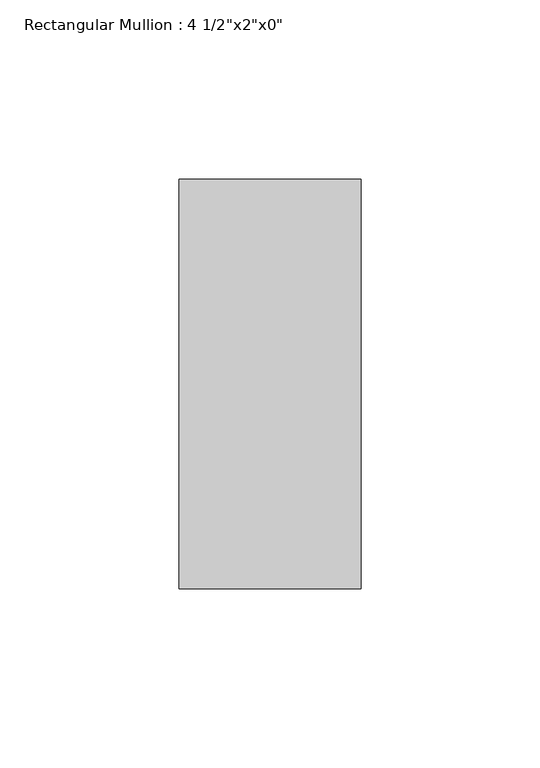
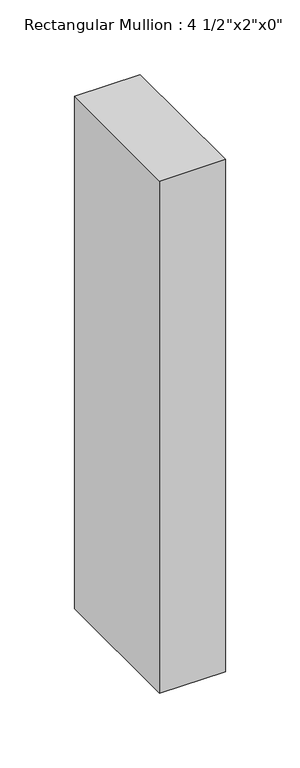
"""IFC4 building model written with IfcOpenShell, lengths in millimetres: member geometry."""

from ifc_helpers import new_model, si_unit, frame, origin, place, context, project, spatial, polyline, outline, extrude, source, transform, mapped, element, save


def member_d7712bc9(model_context):
    return source(origin(), model_context, "Body", "SweptSolid", [
        extrude(outline(polyline([(0.0, 57.15), (0.0, -57.15), (-50.8, -57.15), (-50.8, 57.15), (0.0, 57.15)])), frame((0.0, 0.0, -419.1), z_axis=(0.0, 0.0, 1.0), x_axis=(1.0, 0.0, 0.0)), (0.0, 0.0, 1.0), 419.1),
    ])


if __name__ == "__main__":
    model = new_model("IFC4")
    model_context = context("Model", 3, world=origin())
    ifc_project = project(units=[si_unit("LENGTHUNIT", "METRE", prefix="MILLI")], contexts=[model_context])
    site = spatial("IfcSite", under=ifc_project)
    building = spatial("IfcBuilding", under=site)
    placement = place(None, origin())
    member_shape = member_d7712bc9(model_context)
    element("IfcMember", 1, ObjectType="Rectangular Mullion : 4 1/2\"x2\"x0\"", at=placement, inside=building, context=model_context, shape_type="MappedRepresentation", body=[
        mapped(member_shape, transform((0.0, 0.0, 0.0), x_axis=(1.0, 0.0, 0.0), y_axis=(0.0, 1.0, 0.0), z_axis=(0.0, 0.0, 1.0))),
    ])
    save(model, "model.ifc")
